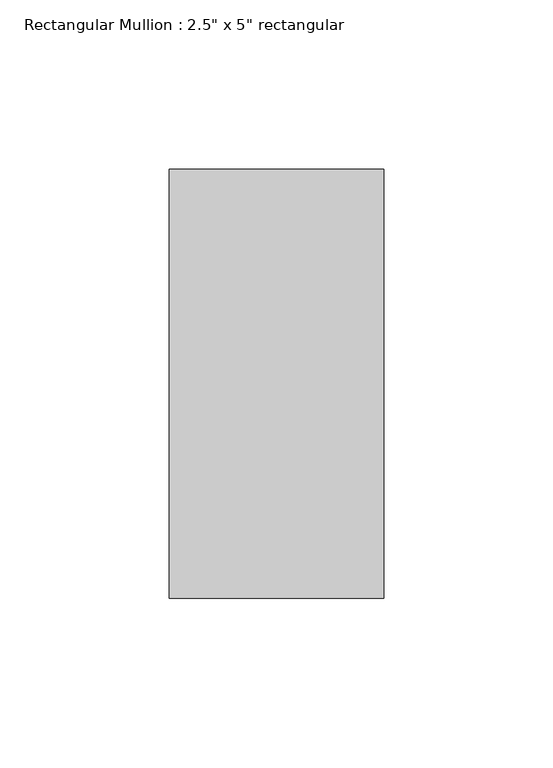
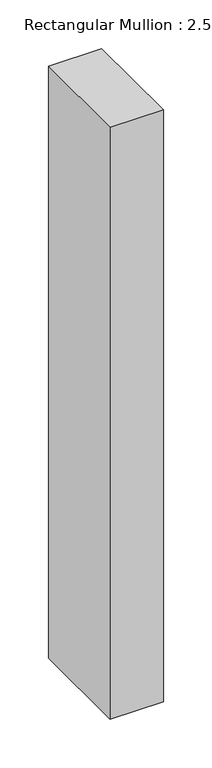
"""IFC4 building model written with IfcOpenShell, lengths in millimetres: member geometry."""

from ifc_helpers import new_model, si_unit, frame, origin, place, context, project, spatial, polyline, outline, extrude, source, transform, mapped, element, save


def member_b912bedd(model_context):
    return source(origin(), model_context, "Body", "SweptSolid", [
        extrude(outline(polyline([(31.75, 63.5), (31.75, -63.5), (-31.75, -63.5), (-31.75, 63.5), (31.75, 63.5)])), frame((0.0, 0.0, -744.5375), z_axis=(0.0, 0.0, 1.0), x_axis=(1.0, 0.0, 0.0)), (0.0, 0.0, 1.0), 744.5375),
    ])


if __name__ == "__main__":
    model = new_model("IFC4")
    model_context = context("Model", 3, world=origin())
    ifc_project = project(units=[si_unit("LENGTHUNIT", "METRE", prefix="MILLI")], contexts=[model_context])
    site = spatial("IfcSite", under=ifc_project)
    building = spatial("IfcBuilding", under=site)
    placement = place(None, origin())
    member_shape = member_b912bedd(model_context)
    element("IfcMember", 1, ObjectType="Rectangular Mullion : 2.5\" x 5\" rectangular", at=placement, inside=building, context=model_context, shape_type="MappedRepresentation", body=[
        mapped(member_shape, transform((0.0, 0.0, 0.0), x_axis=(1.0, 0.0, 0.0), y_axis=(0.0, 1.0, 0.0), z_axis=(0.0, 0.0, 1.0))),
    ])
    save(model, "model.ifc")
